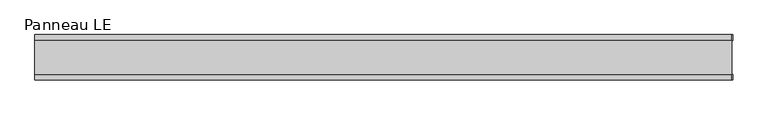
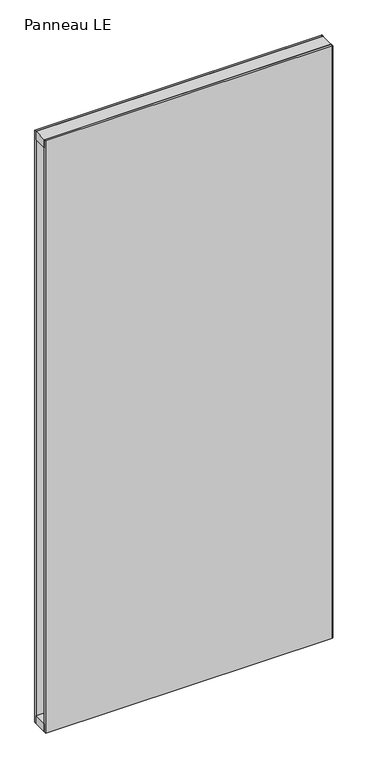
"""IFC4 building model written with IfcOpenShell, lengths in millimetres: plate geometry, Panneau LE."""

from ifc_helpers import new_model, si_unit, frame, origin, origin_with_axes, place, context, project, spatial, polyline, outline, extrude, source, transform, mapped, element, save


def panneau_le_e652fc83(model_context):
    return source(origin(), model_context, "Body", "SweptSolid", [
        extrude(outline(polyline([(674.3333334, 43.8), (674.3333334, 33.0), (672.3333334, 33.0), (672.3333334, 43.8), (674.3333334, 43.8)])), origin_with_axes(), (0.0, 0.0, 1.0), 2933.0),
        extrude(outline(polyline([(674.3333334, -33.0), (674.3333334, -43.8), (672.3333334, -43.8), (672.3333334, -33.0), (674.3333334, -33.0)])), origin_with_axes(), (0.0, 0.0, 1.0), 2933.0),
        extrude(outline(polyline([(672.3333334, -33.0), (-672.3333334, -33.0), (-672.3333334, 33.0), (672.3333334, 33.0), (672.3333334, -33.0)])), frame((0.0, 0.0, 2893.0), z_axis=(0.0, 0.0, 1.0), x_axis=(1.0, 0.0, 0.0)), (0.0, 0.0, 1.0), 40.0),
        extrude(outline(polyline([(672.3333334, -33.0), (-672.3333334, -33.0), (-672.3333334, 33.0), (672.3333334, 33.0), (672.3333334, -33.0)])), origin_with_axes(), (0.0, 0.0, 1.0), 40.0),
        extrude(outline(polyline([(672.3333334, 33.0), (-672.3333334, 33.0), (-672.3333334, 43.8), (672.3333334, 43.8), (672.3333334, 33.0)])), origin_with_axes(), (0.0, 0.0, 1.0), 2933.0),
        extrude(outline(polyline([(-672.3333334, -43.8), (-672.3333334, -33.0), (672.3333334, -33.0), (672.3333334, -43.8), (-672.3333334, -43.8)])), origin_with_axes(), (0.0, 0.0, 1.0), 2933.0),
    ])


if __name__ == "__main__":
    model = new_model("IFC4")
    model_context = context("Model", 3, world=origin())
    ifc_project = project(units=[si_unit("LENGTHUNIT", "METRE", prefix="MILLI")], contexts=[model_context])
    site = spatial("IfcSite", under=ifc_project)
    building = spatial("IfcBuilding", under=site)
    placement = place(None, origin())
    panneau_le_shape = panneau_le_e652fc83(model_context)
    element("IfcPlate", 1, ObjectType="Panneau LE", at=placement, inside=building, context=model_context, shape_type="MappedRepresentation", body=[
        mapped(panneau_le_shape, transform((0.0, 0.0, 0.0), x_axis=(1.0, 0.0, 0.0), y_axis=(0.0, 1.0, 0.0), z_axis=(0.0, 0.0, 1.0))),
    ])
    save(model, "model.ifc")
